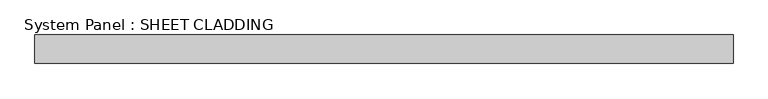
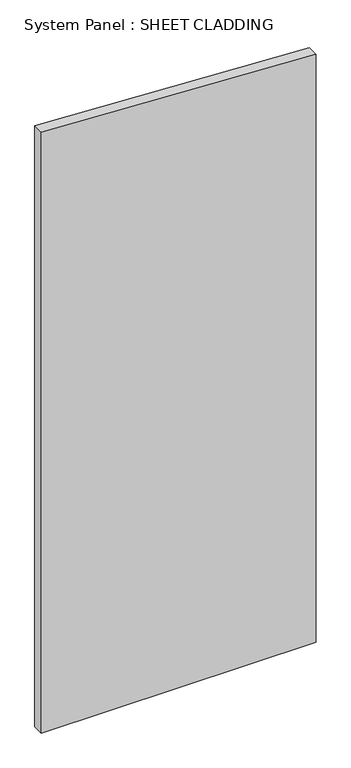
"""IFC4 building model written with IfcOpenShell, lengths in millimetres: plate geometry, System Panel : SHEET CLADDING."""

from ifc_helpers import new_model, si_unit, frame, origin, place, context, project, spatial, polyline, outline, extrude, source, transform, mapped, element, save


def system_panel_sheet_cladding_5aef4de7(model_context):
    return source(origin(), model_context, "Body", "SweptSolid", [
        extrude(outline(polyline([(0.0, -735.4591837), (0.0, 735.4591837), (3325.5336735, 735.4591837), (3399.0795918, -735.4591837), (0.0, -735.4591837)])), frame((0.0, -10.5, 0.0), z_axis=(0.0, 1.0, 0.0), x_axis=(0.0, 0.0, 1.0)), (0.0, 0.0, 1.0), 60.0),
    ])


if __name__ == "__main__":
    model = new_model("IFC4")
    model_context = context("Model", 3, world=origin())
    ifc_project = project(units=[si_unit("LENGTHUNIT", "METRE", prefix="MILLI")], contexts=[model_context])
    site = spatial("IfcSite", under=ifc_project)
    building = spatial("IfcBuilding", under=site)
    placement = place(None, origin())
    system_panel_sheet_cladding_shape = system_panel_sheet_cladding_5aef4de7(model_context)
    element("IfcPlate", 1, ObjectType="System Panel : SHEET CLADDING", at=placement, inside=building, context=model_context, shape_type="MappedRepresentation", body=[
        mapped(system_panel_sheet_cladding_shape, transform((0.0, 0.0, 0.0), x_axis=(1.0, 0.0, 0.0), y_axis=(0.0, 1.0, 0.0), z_axis=(0.0, 0.0, 1.0))),
    ])
    save(model, "model.ifc")
